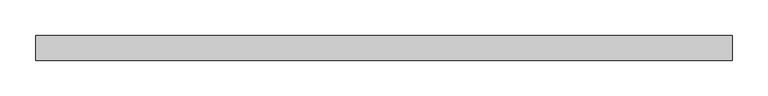
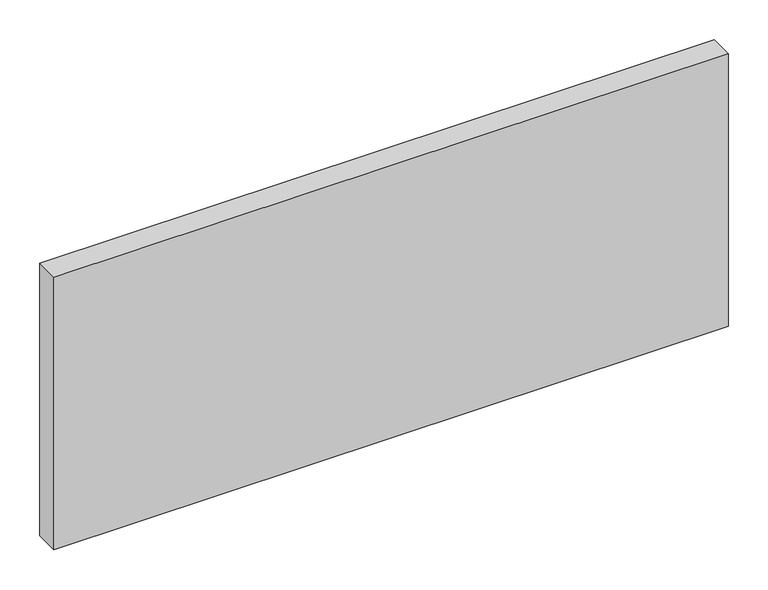
"""IFC4 building model written with IfcOpenShell, lengths in millimetres: plate geometry."""

from ifc_helpers import new_model, si_unit, origin, origin_with_axes, place, context, project, spatial, polyline, outline, extrude, source, transform, mapped, element, save


def plate_1c947b59(model_context):
    return source(origin(), model_context, "Body", "SweptSolid", [
        extrude(outline(polyline([(488.4553571, -17.5), (-488.4553571, -17.5), (-488.4553571, 17.5), (488.4553571, 17.5), (488.4553571, -17.5)])), origin_with_axes(), (0.0, 0.0, 1.0), 417.625),
    ])


if __name__ == "__main__":
    model = new_model("IFC4")
    model_context = context("Model", 3, world=origin())
    ifc_project = project(units=[si_unit("LENGTHUNIT", "METRE", prefix="MILLI")], contexts=[model_context])
    site = spatial("IfcSite", under=ifc_project)
    building = spatial("IfcBuilding", under=site)
    placement = place(None, origin())
    plate_shape = plate_1c947b59(model_context)
    element("IfcPlate", 1, at=placement, inside=building, context=model_context, shape_type="MappedRepresentation", body=[
        mapped(plate_shape, transform((0.0, 0.0, 0.0), x_axis=(1.0, 0.0, 0.0), y_axis=(0.0, 1.0, 0.0), z_axis=(0.0, 0.0, 1.0))),
    ])
    save(model, "model.ifc")
